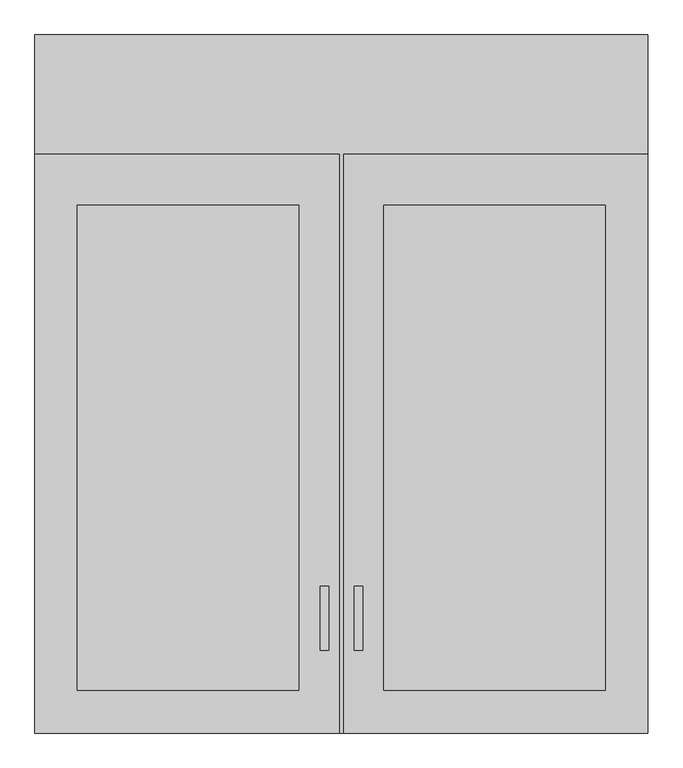
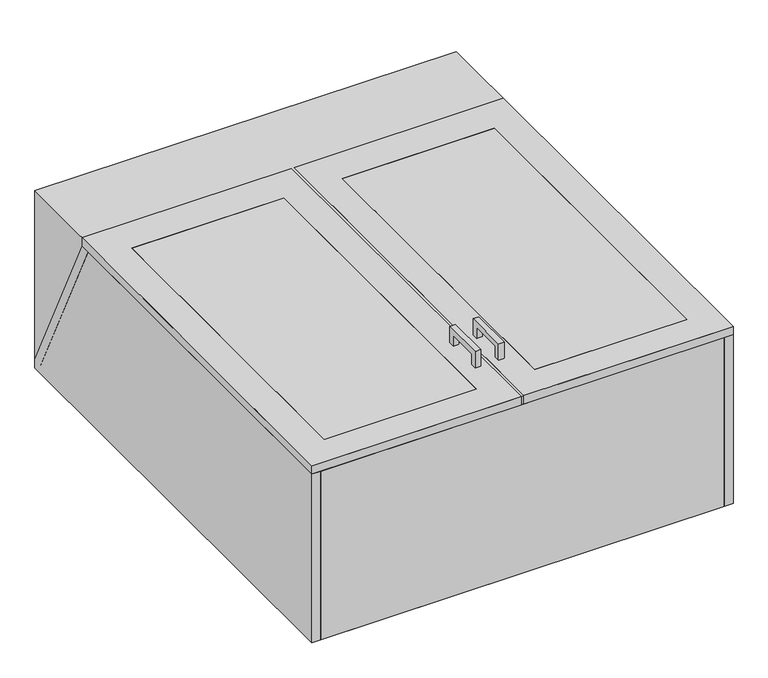
"""IFC4 building model written with IfcOpenShell, lengths in millimetres: proxy geometry."""

from ifc_helpers import new_model, si_unit, frame, origin, origin_with_axes, place, context, project, spatial, polyline, outline, extrude, faceted_brep, source, transform, mapped, element, save


def specialty_equipment_aa146bf9(model_context):
    return source(origin(), model_context, "Body", "SolidModel", [
        extrude(outline(polyline([(457.2, 0.0), (3.175, 0.0), (3.175, 863.6), (457.2, 863.6), (457.2, 0.0)]), holes=[polyline([(393.7, 63.5), (393.7, 787.4), (63.5, 787.4), (63.5, 63.5), (393.7, 63.5)])]), frame((0.0, 0.0, 387.35), z_axis=(0.0, 0.0, 1.0), x_axis=(1.0, 0.0, 0.0)), (0.0, 0.0, 1.0), 19.05),
        extrude(outline(polyline([(-3.175, 0.0), (-457.2, 0.0), (-457.2, 863.6), (-3.175, 863.6), (-3.175, 0.0)]), holes=[polyline([(-63.5, 63.5), (-63.5, 787.4), (-393.7, 787.4), (-393.7, 63.5), (-63.5, 63.5)])]), frame((0.0, 0.0, 387.35), z_axis=(0.0, 0.0, 1.0), x_axis=(1.0, 0.0, 0.0)), (0.0, 0.0, 1.0), 19.05),
        extrude(outline(polyline([(438.15, 552.9991105), (-438.15, 552.9991105), (-438.15, 574.9399118), (438.15, 574.9399118), (438.15, 552.9991105)])), frame((0.0, 0.0, 19.05), z_axis=(0.0, 0.0, 1.0), x_axis=(1.0, 0.0, 0.0)), (0.0, 0.0, 1.0), 368.3),
        extrude(outline(polyline([(438.15, 287.0511198), (-438.15, 287.0511198), (-438.15, 306.1578655), (438.15, 306.1578655), (438.15, 287.0511198)])), frame((0.0, 0.0, 19.05), z_axis=(0.0, 0.0, 1.0), x_axis=(1.0, 0.0, 0.0)), (0.0, 0.0, 1.0), 368.3),
        extrude(outline(polyline([(838.2, 0.0), (0.0, 0.0), (0.0, 387.35), (862.830303, 387.35), (1041.4, 19.05), (1041.4, 0.0), (838.2, 0.0)])), frame((438.15, 0.0, 0.0), z_axis=(1.0, 0.0, 0.0), x_axis=(0.0, 1.0, 0.0)), (0.0, 0.0, 1.0), 19.05),
        extrude(outline(polyline([(1041.4, 0.0), (0.0, 0.0), (0.0, 387.35), (862.830303, 387.35), (1041.4, 19.05), (1041.4, 0.0)])), frame((-457.2, 0.0, 0.0), z_axis=(1.0, 0.0, 0.0), x_axis=(0.0, 1.0, 0.0)), (0.0, 0.0, 1.0), 19.05),
        extrude(outline(polyline([(438.15, 1041.4), (438.15, 19.05), (-438.15, 19.05), (-438.15, 1041.4), (438.15, 1041.4)])), origin_with_axes(), (0.0, 0.0, 1.0), 19.05),
        extrude(outline(polyline([(-438.15, 19.05), (438.15, 19.05), (438.15, 0.0), (-438.15, 0.0), (-438.15, 19.05)])), origin_with_axes(), (0.0, 0.0, 1.0), 387.35),
        extrude(outline(polyline([(393.7, 787.4), (393.7, 63.5), (63.5, 63.5), (63.5, 787.4), (393.7, 787.4)])), frame((0.0, 0.0, 400.05), z_axis=(0.0, 0.0, 1.0), x_axis=(1.0, 0.0, 0.0)), (0.0, 0.0, 1.0), 6.35),
        extrude(outline(polyline([(-63.5, 787.4), (-63.5, 63.5), (-393.7, 63.5), (-393.7, 787.4), (-63.5, 787.4)])), frame((0.0, 0.0, 400.05), z_axis=(0.0, 0.0, 1.0), x_axis=(1.0, 0.0, 0.0)), (0.0, 0.0, 1.0), 6.35),
        extrude(outline(polyline([(219.0655468, 444.4810937), (219.0655468, 406.4), (206.3958968, 406.4), (206.3958968, 431.8114436), (136.5230095, 431.8114436), (136.5230095, 406.4), (123.8533595, 406.4), (123.8533595, 444.4810937), (219.0655468, 444.4810937)])), frame((-31.4565288, 0.0, 0.0), z_axis=(1.0, 0.0, 0.0), x_axis=(0.0, 1.0, 0.0)), (0.0, 0.0, 1.0), 12.4023437),
        extrude(outline(polyline([(219.0655468, 444.4810937), (219.0655468, 406.4), (206.3958968, 406.4), (206.3958968, 431.8114436), (136.5230095, 431.8114436), (136.5230095, 406.4), (123.8533595, 406.4), (123.8533595, 444.4810937), (219.0655468, 444.4810937)])), frame((19.3476563, 0.0, 0.0), z_axis=(1.0, 0.0, 0.0), x_axis=(0.0, 1.0, 0.0)), (0.0, 0.0, 1.0), 12.4023437),
        faceted_brep([(457.2, 1041.4, 406.4), (-457.2, 1041.4, 406.4), (-457.2, 0.0, 406.4), (457.2, 0.0, 406.4), (-63.5, 787.4, 406.4), (-63.5, 63.5, 406.4), (-393.7, 63.5, 406.4), (-393.7, 787.4, 406.4), (457.2, 1041.4, 0.0), (457.2, 0.0, 0.0), (-457.2, 0.0, 0.0), (-457.2, 1041.4, 0.0), (-63.5, 63.5, 387.35), (-63.5, 787.4, 387.35), (-393.7, 787.4, 387.35), (-393.7, 63.5, 387.35)], [[[0, 1, 2, 3], [4, 5, 6, 7]], [[8, 9, 10, 11]], [[1, 0, 8, 11]], [[2, 1, 11, 10]], [[3, 2, 10, 9]], [[0, 3, 9, 8]], [[12, 13, 14, 15]], [[13, 12, 5, 4]], [[14, 13, 4, 7]], [[15, 14, 7, 6]], [[12, 15, 6, 5]]]),
        extrude(outline(polyline([(1041.4, 19.05), (1019.2563437, 19.05), (840.6866468, 387.35), (862.830303, 387.35), (1041.4, 19.05)])), frame((-457.2, 0.0, 0.0), z_axis=(1.0, 0.0, 0.0), x_axis=(0.0, 1.0, 0.0)), (0.0, 0.0, 1.0), 914.4),
    ])


if __name__ == "__main__":
    model = new_model("IFC4")
    model_context = context("Model", 3, world=origin())
    ifc_project = project(units=[si_unit("LENGTHUNIT", "METRE", prefix="MILLI")], contexts=[model_context])
    site = spatial("IfcSite", under=ifc_project)
    building = spatial("IfcBuilding", under=site)
    placement = place(None, origin())
    specialty_equipment_shape = specialty_equipment_aa146bf9(model_context)
    element("IfcBuildingElementProxy", 1, Name="Specialty Equipment", at=placement, inside=building, context=model_context, shape_type="MappedRepresentation", body=[
        mapped(specialty_equipment_shape, transform((0.0, 0.0, 0.0), x_axis=(1.0, 0.0, 0.0), y_axis=(0.0, 1.0, 0.0), z_axis=(0.0, 0.0, 1.0))),
    ])
    save(model, "model.ifc")
